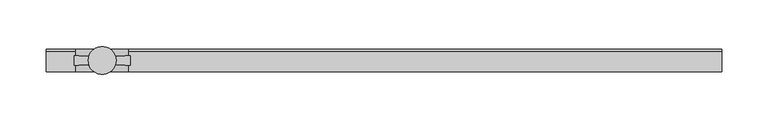
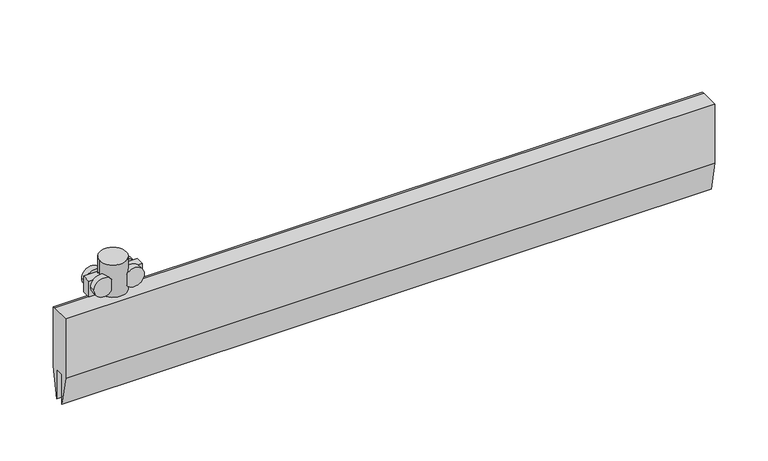
"""IFC4 building model written with IfcOpenShell, lengths in millimetres: proxy geometry."""

from ifc_helpers import new_model, si_unit, point, frame, frame_2d, origin, origin_2d, place, context, project, spatial, polyline, circle_curve, trimmed, segment, composite_curve, outline, extrude, source, transform, mapped, element, save


def specialty_equipment_dccc3cfc(model_context):
    return source(origin(), model_context, "Body", "SweptSolid", [
        extrude(outline(polyline([(-12.0, 49.0), (9.692747, 49.0), (12.0, 49.0), (12.0, -21.0), (5.0, -56.0), (5.0, -21.0), (-5.0, -21.0), (-5.0, -56.0), (-12.0, -21.0), (-12.0, 49.0)])), frame((-60.0, 0.0, 0.0), z_axis=(1.0, 0.0, 0.0), x_axis=(0.0, 1.0, 0.0)), (0.0, 0.0, 1.0), 726.6731661),
        extrude(outline(composite_curve([segment(trimmed(circle_curve(origin_2d(), 4.0), [point((-4.0, 0.0))], [point((4.0, 0.0))], False, "CARTESIAN"), True, "CONTINUOUS"), segment(trimmed(circle_curve(origin_2d(), 4.0), [point((4.0, 0.0))], [point((-4.0, 0.0))], False, "CARTESIAN"), True, "CONTINUOUS")], self_intersect=False)), frame((0.0, 0.0, 49.0), z_axis=(0.0, 0.0, 1.0), x_axis=(1.0, 0.0, 0.0)), (0.0, 0.0, 1.0), 30.0),
        extrude(outline(polyline([(30.0, -5.0), (-30.0, -5.0), (-30.0, 5.0), (30.0, 5.0), (30.0, -5.0)])), frame((0.0, 0.0, 60.4593609), z_axis=(0.0, 0.0, 1.0), x_axis=(1.0, 0.0, 0.0)), (0.0, 0.0, 1.0), 18.5406391),
        extrude(outline(composite_curve([segment(trimmed(circle_curve(frame_2d((71.5071727, 17.1562807)), 11.0), [point((71.5071727, 6.1562807))], [point((71.5071727, 28.1562807))], False, "CARTESIAN"), True, "CONTINUOUS"), segment(trimmed(circle_curve(frame_2d((71.5071727, 17.1562807)), 11.0), [point((71.5071727, 28.1562807))], [point((71.5071727, 6.1562807))], False, "CARTESIAN"), True, "CONTINUOUS")], self_intersect=False)), frame((0.0, 5.0, 0.0), z_axis=(0.0, 1.0, 0.0), x_axis=(0.0, 0.0, 1.0)), (0.0, 0.0, 1.0), 7.0),
        extrude(outline(composite_curve([segment(trimmed(circle_curve(frame_2d((71.5, 17.1562807)), 11.0), [point((71.5, 6.1562807))], [point((71.5, 28.1562807))], False, "CARTESIAN"), True, "CONTINUOUS"), segment(trimmed(circle_curve(frame_2d((71.5, 17.1562807)), 11.0), [point((71.5, 28.1562807))], [point((71.5, 6.1562807))], False, "CARTESIAN"), True, "CONTINUOUS")], self_intersect=False)), frame((0.0, -12.0, 0.0), z_axis=(0.0, 1.0, 0.0), x_axis=(0.0, 0.0, 1.0)), (0.0, 0.0, 1.0), 7.0),
        extrude(outline(composite_curve([segment(trimmed(circle_curve(frame_2d((71.5071727, -17.2187193)), 11.0), [point((71.5071727, -28.2187193))], [point((71.5071727, -6.2187193))], False, "CARTESIAN"), True, "CONTINUOUS"), segment(trimmed(circle_curve(frame_2d((71.5071727, -17.2187193)), 11.0), [point((71.5071727, -6.2187193))], [point((71.5071727, -28.2187193))], False, "CARTESIAN"), True, "CONTINUOUS")], self_intersect=False)), frame((0.0, 5.0, 0.0), z_axis=(0.0, 1.0, 0.0), x_axis=(0.0, 0.0, 1.0)), (0.0, 0.0, 1.0), 7.0),
        extrude(outline(composite_curve([segment(trimmed(circle_curve(frame_2d((71.5, -17.2187193)), 11.0), [point((71.5, -28.2187193))], [point((71.5, -6.2187193))], False, "CARTESIAN"), True, "CONTINUOUS"), segment(trimmed(circle_curve(frame_2d((71.5, -17.2187193)), 11.0), [point((71.5, -6.2187193))], [point((71.5, -28.2187193))], False, "CARTESIAN"), True, "CONTINUOUS")], self_intersect=False)), frame((0.0, -12.0, 0.0), z_axis=(0.0, 1.0, 0.0), x_axis=(0.0, 0.0, 1.0)), (0.0, 0.0, 1.0), 7.0),
        extrude(outline(composite_curve([segment(trimmed(circle_curve(origin_2d(), 15.0), [point((-15.0, 0.0))], [point((15.0, 0.0))], False, "CARTESIAN"), True, "CONTINUOUS"), segment(trimmed(circle_curve(origin_2d(), 15.0), [point((15.0, 0.0))], [point((-15.0, 0.0))], False, "CARTESIAN"), True, "CONTINUOUS")], self_intersect=False)), frame((0.0, 0.0, 57.0), z_axis=(0.0, 0.0, 1.0), x_axis=(1.0, 0.0, 0.0)), (0.0, 0.0, 1.0), 38.0),
    ])


if __name__ == "__main__":
    model = new_model("IFC4")
    model_context = context("Model", 3, world=origin())
    ifc_project = project(units=[si_unit("LENGTHUNIT", "METRE", prefix="MILLI")], contexts=[model_context])
    site = spatial("IfcSite", under=ifc_project)
    building = spatial("IfcBuilding", under=site)
    placement = place(None, origin())
    specialty_equipment_shape = specialty_equipment_dccc3cfc(model_context)
    element("IfcBuildingElementProxy", 1, Name="Specialty Equipment", at=placement, inside=building, context=model_context, shape_type="MappedRepresentation", body=[
        mapped(specialty_equipment_shape, transform((0.0, 0.0, 0.0), x_axis=(1.0, 0.0, 0.0), y_axis=(0.0, 1.0, 0.0), z_axis=(0.0, 0.0, 1.0))),
    ])
    save(model, "model.ifc")
